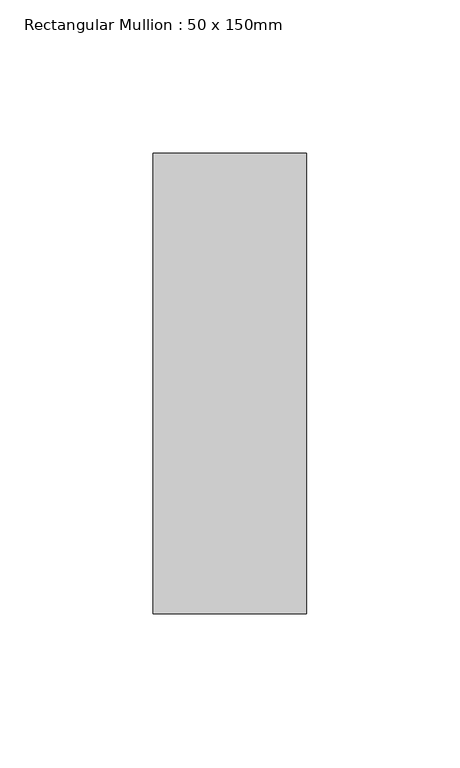
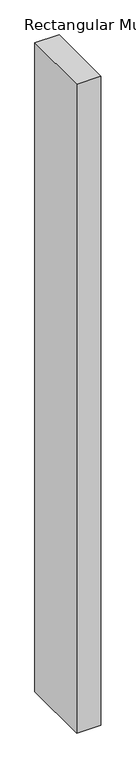
"""IFC4 building model written with IfcOpenShell, lengths in millimetres: member geometry, Rectangular Mullion : 50 x 150mm."""

import ifcopenshell
import ifcopenshell.guid

model = None  # the IFC model being written
_history = None  # IfcOwnerHistory: only IFC2X3 demands one
_inside = {}  # id of a spatial element -> (the spatial element, [elements in it])
_under = {}  # id of a project, library or spatial element -> (it, [spatial elements below it])
_declared = {}  # id of a project -> (the project, [libraries it declares])
_typed = {}  # id of a type object -> (the type object, [elements of that type])
_made_of = {}  # id of a material, layer set ... -> (it, [elements and type objects made of it])


def new_model(schema):
    """Start an empty IFC model of exactly this schema.

    Asked for "IFC4X3", IfcOpenShell would pick the latest addendum, in which some entities
    have other attributes; the version numbers below select the first issue.
    IFC2X3 requires an IfcOwnerHistory on every rooted entity: one is made here for all.
    """
    global model, _history
    if schema == "IFC4X3":
        model = ifcopenshell.file(schema_version=(4, 3, 0, 0))
    else:
        model = ifcopenshell.file(schema=schema)
    _inside.clear()
    _under.clear()
    _declared.clear()
    _typed.clear()
    _made_of.clear()
    _history = None
    if model.schema == "IFC2X3":
        org = make("IfcOrganization", Name="unknown")
        user = make(
            "IfcPersonAndOrganization",
            ThePerson=make("IfcPerson", FamilyName="unknown"),
            TheOrganization=org,
        )
        app = make(
            "IfcApplication",
            ApplicationDeveloper=org,
            Version="unknown",
            ApplicationFullName="unknown",
            ApplicationIdentifier="unknown",
        )
        _history = make(
            "IfcOwnerHistory",
            OwningUser=user,
            OwningApplication=app,
            ChangeAction="ADDED",
            CreationDate=0,
        )
    return model


def make(cls, **values):
    """One entity of the class cls with the attributes given. An attribute that is None is left unset."""
    return model.create_entity(
        cls, **{name: value for name, value in values.items() if value is not None}
    )


def rooted(cls, **values):
    """An entity with a GlobalId (a new one), such as an element, a storey or a relation."""
    return make(cls, GlobalId=ifcopenshell.guid.new(), OwnerHistory=_history, **values)


def si_unit(unit_type, name, prefix=None):
    """IfcSIUnit, for example si_unit("LENGTHUNIT", "METRE", prefix="MILLI")."""
    return make("IfcSIUnit", UnitType=unit_type, Prefix=prefix, Name=name)


def assignment(units):
    """IfcUnitAssignment: the units of a project."""
    return None if units is None else make("IfcUnitAssignment", Units=units)


def point(xyz):
    """IfcCartesianPoint."""
    return None if xyz is None else make("IfcCartesianPoint", Coordinates=xyz)


def direction(xyz):
    """IfcDirection."""
    return None if xyz is None else make("IfcDirection", DirectionRatios=xyz)


def frame(location, z_axis=None, x_axis=None):
    """IfcAxis2Placement3D, a coordinate frame: its origin and axes. An axis left out is left unset."""
    return make(
        "IfcAxis2Placement3D",
        Location=point(location),
        Axis=direction(z_axis),
        RefDirection=direction(x_axis),
    )


def origin():
    """The frame at (0, 0, 0) with its axes left unset."""
    return frame((0.0, 0.0, 0.0))


def place(relative_to, where):
    """IfcLocalPlacement: puts the frame where relative to a parent placement (None: the world)."""
    return make(
        "IfcLocalPlacement", PlacementRelTo=relative_to, RelativePlacement=where
    )


def context(
    kind, dimensions, precision=None, world=None, true_north=None, identifier=None
):
    """IfcGeometricRepresentationContext, for example the 3D "Model" context."""
    return make(
        "IfcGeometricRepresentationContext",
        ContextIdentifier=identifier,
        ContextType=kind,
        CoordinateSpaceDimension=dimensions,
        Precision=precision,
        WorldCoordinateSystem=world,
        TrueNorth=true_north,
    )


def project(units=None, contexts=None):
    """IfcProject with its units and contexts."""
    return rooted(
        "IfcProject",
        Name="project",
        RepresentationContexts=contexts,
        UnitsInContext=assignment(units),
    )


def spatial(cls, under=None, at=None, **own):
    """A site, building, storey or space (cls), placed at a placement, below another one or the project."""
    s = rooted(cls, ObjectPlacement=at, **own)
    if under is not None:
        _under.setdefault(under.id(), (under, []))[1].append(s)
    return s


def polyline(points):
    """IfcPolyline through the points."""
    return make("IfcPolyline", Points=[point(p) for p in points])


def outline(outer, holes=None, kind="AREA"):
    """IfcArbitraryClosedProfileDef: a profile drawn as a closed curve; with holes, ...WithVoids."""
    if holes is None:
        return make("IfcArbitraryClosedProfileDef", ProfileType=kind, OuterCurve=outer)
    return make(
        "IfcArbitraryProfileDefWithVoids",
        ProfileType=kind,
        OuterCurve=outer,
        InnerCurves=holes,
    )


def extrude(swept, where, along, depth):
    """IfcExtrudedAreaSolid: the profile swept, set in the frame where, extruded along a direction by depth."""
    return make(
        "IfcExtrudedAreaSolid",
        SweptArea=swept,
        Position=where,
        ExtrudedDirection=direction(along),
        Depth=depth,
    )


def shape(context_of_items, identifier, shape_type, items):
    """IfcShapeRepresentation: the items that make up one representation, for example the "Body"."""
    return make(
        "IfcShapeRepresentation",
        ContextOfItems=context_of_items,
        RepresentationIdentifier=identifier,
        RepresentationType=shape_type,
        Items=items,
    )


def source(mapping_origin, context_of_items, identifier, shape_type, items):
    """IfcRepresentationMap: a shape defined once, which mapped items show again and again."""
    return make(
        "IfcRepresentationMap",
        MappingOrigin=mapping_origin,
        MappedRepresentation=shape(context_of_items, identifier, shape_type, items),
    )


def transform(
    local_origin,
    x_axis=None,
    y_axis=None,
    z_axis=None,
    scale=None,
    scale2=None,
    scale3=None,
    uniform=True,
):
    """IfcCartesianTransformationOperator3D, or its non-uniform kind. x_axis, y_axis, z_axis: its Axis1, 2, 3."""
    if uniform:
        return make(
            "IfcCartesianTransformationOperator3D",
            Axis1=direction(x_axis),
            Axis2=direction(y_axis),
            LocalOrigin=point(local_origin),
            Scale=scale,
            Axis3=direction(z_axis),
        )
    return make(
        "IfcCartesianTransformationOperator3DnonUniform",
        Axis1=direction(x_axis),
        Axis2=direction(y_axis),
        LocalOrigin=point(local_origin),
        Scale=scale,
        Axis3=direction(z_axis),
        Scale2=scale2,
        Scale3=scale3,
    )


def mapped(mapping_source, mapping_target):
    """IfcMappedItem: shows the shape of a source again, moved by a transform."""
    return make(
        "IfcMappedItem", MappingSource=mapping_source, MappingTarget=mapping_target
    )


def made_of(thing, what):
    """Note that an element or type object is made of a material, layer set ...; save() writes the relation."""
    if what is not None:
        _made_of.setdefault(what.id(), (what, []))[1].append(thing)
    return thing


def element(
    cls,
    number,
    at=None,
    inside=None,
    cuts=None,
    type_object=None,
    material=None,
    context=None,
    identifier="Body",
    shape_type=None,
    held_by="IfcProductDefinitionShape",
    body=None,
    shapes=None,
    **own,
):
    """One element of the class cls, such as IfcWall. Its Tag is "e" and its number.

    at: its placement. inside: the storey or other place that contains it. cuts: it is an
    opening in that element (IfcRelVoidsElement). A single representation is given by context,
    identifier, shape_type and body (its items); several are given by shapes. held_by: the class
    of the entity that holds the representations. save() writes the other relations.
    """
    e = rooted(cls, Tag="e%d" % number, ObjectPlacement=at, **own)
    if body is not None:
        shapes = [shape(context, identifier, shape_type, body)]
    if shapes is not None:
        e.Representation = make(held_by, Representations=shapes)
    if inside is not None:
        _inside.setdefault(inside.id(), (inside, []))[1].append(e)
    if cuts is not None:
        rooted(
            "IfcRelVoidsElement", RelatingBuildingElement=cuts, RelatedOpeningElement=e
        )
    if type_object is not None:
        _typed.setdefault(type_object.id(), (type_object, []))[1].append(e)
    return made_of(e, material)


def aggregate(whole, parts):
    """IfcRelAggregates: a whole, such as a stair, and the parts it consists of."""
    return rooted("IfcRelAggregates", RelatingObject=whole, RelatedObjects=parts)


def save(model, path):
    """Write the relations noted so far, then the file.

    IfcRelAggregates (storeys below a building ...), IfcRelContainedInSpatialStructure (elements
    in a storey), IfcRelDefinesByType, IfcRelAssociatesMaterial and IfcRelDeclares: one each for
    every whole, place, type object, material and project.
    """
    for whole, parts in _under.values():
        aggregate(whole, parts)
    for where, things in _inside.values():
        rooted(
            "IfcRelContainedInSpatialStructure",
            RelatedElements=things,
            RelatingStructure=where,
        )
    for kind, things in _typed.values():
        rooted("IfcRelDefinesByType", RelatedObjects=things, RelatingType=kind)
    for what, things in _made_of.values():
        rooted("IfcRelAssociatesMaterial", RelatedObjects=things, RelatingMaterial=what)
    for by, libraries in _declared.values():
        rooted("IfcRelDeclares", RelatingContext=by, RelatedDefinitions=libraries)
    model.write(path)


def rectangular_mullion_50_x_150mm_c3285943(model_context):
    return source(origin(), model_context, "Body", "SweptSolid", [
        extrude(outline(polyline([(25.0, 75.0), (25.0, -75.0), (-25.0, -75.0), (-25.0, 75.0), (25.0, 75.0)])), frame((0.0, 0.0, -1422.1963877), z_axis=(0.0, 0.0, 1.0), x_axis=(1.0, 0.0, 0.0)), (0.0, 0.0, 1.0), 1422.1963877),
    ])


if __name__ == "__main__":
    model = new_model("IFC4")
    model_context = context("Model", 3, world=origin())
    ifc_project = project(units=[si_unit("LENGTHUNIT", "METRE", prefix="MILLI")], contexts=[model_context])
    site = spatial("IfcSite", under=ifc_project)
    building = spatial("IfcBuilding", under=site)
    placement = place(None, origin())
    rectangular_mullion_50_x_150mm_shape = rectangular_mullion_50_x_150mm_c3285943(model_context)
    element("IfcMember", 1, ObjectType="Rectangular Mullion : 50 x 150mm", at=placement, inside=building, context=model_context, shape_type="MappedRepresentation", body=[
        mapped(rectangular_mullion_50_x_150mm_shape, transform((0.0, 0.0, 0.0), x_axis=(1.0, 0.0, 0.0), y_axis=(0.0, 1.0, 0.0), z_axis=(0.0, 0.0, 1.0))),
    ])
    save(model, "model.ifc")
